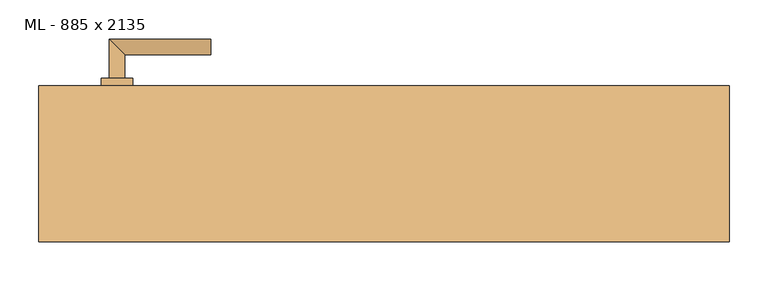
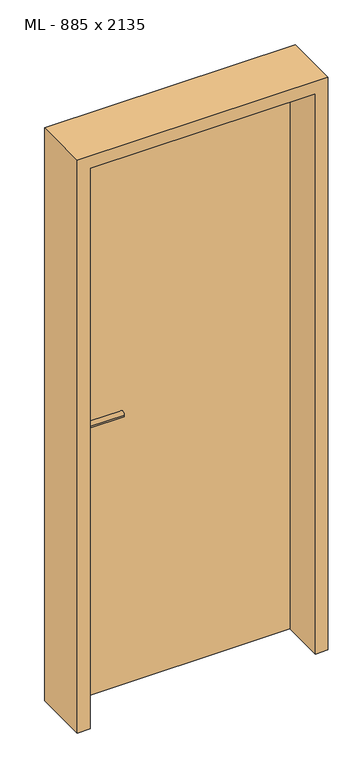
"""IFC4 building model written with IfcOpenShell, lengths in millimetres: door geometry, ML - 885 x 2135."""

from ifc_helpers import new_model, si_unit, point, frame, frame_2d, origin, origin_with_axes, place, context, project, spatial, polyline, circle_curve, ellipse_curve, trimmed, segment, composite_curve, outline, extrude, faceted_brep, source, transform, mapped, element, save
from ifc_brep_helpers import plane_surface, cylinder_surface, advanced_brep


def ml_885_x_2135_569d11c4(model_context):
    return source(origin(), model_context, "Body", "SolidModel", [
        extrude(outline(polyline([(408.5, 100.0), (408.5, 55.0), (-408.5, 55.0), (-408.5, 100.0), (408.5, 100.0)])), origin_with_axes(), (0.0, 0.0, 1.0), 2101.0),
        advanced_brep(
        [(-332.5, 110.0, 1050.0), (-352.5, 110.0, 1050.0), (-332.5, 140.0, 1050.0), (-352.5, 160.0, 1050.0), (-222.5, 140.0, 1050.0), (-222.5, 160.0, 1050.0)],
        [
            (0, 1, circle_curve(frame((-342.5, 110.0, 1050.0), z_axis=(0.0, -1.0, 0.0), x_axis=(-1.0, 0.0, 0.0)), 10.0)),
            (1, 0, circle_curve(frame((-342.5, 110.0, 1050.0), z_axis=(0.0, -1.0, 0.0), x_axis=(-1.0, 0.0, 0.0)), 10.0)),
            (0, 2),
            (2, 3, ellipse_curve(frame((-342.5, 150.0, 1050.0), z_axis=(-0.7071067811865531, -0.7071067811865419, 0.0), x_axis=(0.707106781186542, -0.707106781186553, 0.0)), 14.1421356, 10.0)),
            (3, 1),
            (3, 2, ellipse_curve(frame((-342.5, 150.0, 1050.0), z_axis=(-0.7071067811865531, -0.7071067811865419, 0.0), x_axis=(0.707106781186542, -0.707106781186553, 0.0)), 14.1421356, 10.0)),
            (4, 5, circle_curve(frame((-222.5, 150.0, 1050.0), z_axis=(1.0, 0.0, 0.0), x_axis=(0.0, 1.0, 0.0)), 10.0)),
            (5, 4, circle_curve(frame((-222.5, 150.0, 1050.0), z_axis=(1.0, 0.0, 0.0), x_axis=(0.0, 1.0, 0.0)), 10.0)),
            (2, 4),
            (5, 3),
        ],
        [
            plane_surface(frame((-342.5, 110.0, 1050.0), z_axis=(0.0, -1.0, 0.0), x_axis=(0.0, 0.0, 1.0))),
            cylinder_surface(frame((-342.5, 110.0, 1050.0), z_axis=(0.0, -1.0, 0.0), x_axis=(-1.0, 0.0, 0.0)), 10.0),
            plane_surface(frame((-222.5, 150.0, 1050.0), z_axis=(1.0, 0.0, 0.0), x_axis=(0.0, 0.0, 1.0))),
            cylinder_surface(frame((-342.5, 150.0, 1050.0), z_axis=(-1.0, 0.0, 0.0), x_axis=(0.0, 1.0, 0.0)), 10.0),
        ],
        [
            (0, [[1, 2]]),
            (1, [[-1, 3, 4, 5]]),
            (1, [[-2, -5, 6, -3]]),
            (2, [[7, 8]]),
            (3, [[-4, 9, -8, 10]]),
            (3, [[-6, -10, -7, -9]]),
        ],
    ),
        extrude(outline(composite_curve([segment(trimmed(circle_curve(frame_2d((990.0, -342.5)), 20.0), [point((990.0, -362.5))], [point((990.0, -322.5))], False, "CARTESIAN"), True, "CONTINUOUS"), segment(trimmed(circle_curve(frame_2d((990.0, -342.5)), 20.0), [point((990.0, -322.5))], [point((990.0, -362.5))], False, "CARTESIAN"), True, "CONTINUOUS")], self_intersect=False), holes=[composite_curve([segment(polyline([(976.4601385, -344.897268), (988.4749012, -344.897268)]), True, "CONTINUOUS"), segment(trimmed(circle_curve(frame_2d((995.0361633, -342.5)), 6.9854888), [point((988.4749012, -344.897268))], [point((988.4749012, -340.102732))], True, "CARTESIAN"), True, "CONTINUOUS"), segment(polyline([(988.4749012, -340.102732), (976.4601385, -340.102732)]), True, "CONTINUOUS"), segment(trimmed(circle_curve(frame_2d((976.4601385, -342.5)), 2.397268), [point((976.4601385, -340.102732))], [point((976.4601385, -344.897268))], True, "CARTESIAN"), True, "CONTINUOUS")], self_intersect=False)]), frame((0.0, 100.0, 0.0), z_axis=(0.0, 1.0, 0.0), x_axis=(0.0, 0.0, 1.0)), (0.0, 0.0, 1.0), 10.0),
        advanced_brep(
        [(-332.5, 110.0, 1050.0), (-352.5, 110.0, 1050.0), (-332.5, 140.0, 1050.0), (-352.5, 160.0, 1050.0), (-222.5, 140.0, 1050.0), (-222.5, 160.0, 1050.0)],
        [
            (0, 1, circle_curve(frame((-342.5, 110.0, 1050.0), z_axis=(0.0, -1.0, 0.0), x_axis=(-1.0, 0.0, 0.0)), 10.0)),
            (1, 0, circle_curve(frame((-342.5, 110.0, 1050.0), z_axis=(0.0, -1.0, 0.0), x_axis=(-1.0, 0.0, 0.0)), 10.0)),
            (0, 2),
            (2, 3, ellipse_curve(frame((-342.5, 150.0, 1050.0), z_axis=(-0.7071067811865537, -0.7071067811865414, 0.0), x_axis=(0.7071067811865414, -0.7071067811865536, 0.0)), 14.1421356, 10.0)),
            (3, 1),
            (3, 2, ellipse_curve(frame((-342.5, 150.0, 1050.0), z_axis=(-0.7071067811865537, -0.7071067811865414, 0.0), x_axis=(0.7071067811865414, -0.7071067811865536, 0.0)), 14.1421356, 10.0)),
            (4, 5, circle_curve(frame((-222.5, 150.0, 1050.0), z_axis=(1.0, 0.0, 0.0), x_axis=(0.0, 1.0, 0.0)), 10.0)),
            (5, 4, circle_curve(frame((-222.5, 150.0, 1050.0), z_axis=(1.0, 0.0, 0.0), x_axis=(0.0, 1.0, 0.0)), 10.0)),
            (2, 4),
            (5, 3),
        ],
        [
            plane_surface(frame((-342.5, 110.0, 1050.0), z_axis=(0.0, -1.0, 0.0), x_axis=(0.0, 0.0, 1.0))),
            cylinder_surface(frame((-342.5, 110.0, 1050.0), z_axis=(0.0, -1.0, 0.0), x_axis=(-1.0, 0.0, 0.0)), 10.0),
            plane_surface(frame((-222.5, 150.0, 1050.0), z_axis=(1.0, 0.0, 0.0), x_axis=(0.0, 0.0, 1.0))),
            cylinder_surface(frame((-342.5, 150.0, 1050.0), z_axis=(-1.0, 0.0, 0.0), x_axis=(0.0, 1.0, 0.0)), 10.0),
        ],
        [
            (0, [[1, 2]]),
            (1, [[-1, 3, 4, 5]]),
            (1, [[-2, -5, 6, -3]]),
            (2, [[7, 8]]),
            (3, [[-4, 9, -8, 10]]),
            (3, [[-6, -10, -7, -9]]),
        ],
    ),
        extrude(outline(composite_curve([segment(trimmed(circle_curve(frame_2d((1050.0, -342.5)), 20.0), [point((1050.0, -362.5))], [point((1050.0, -322.5))], False, "CARTESIAN"), True, "CONTINUOUS"), segment(trimmed(circle_curve(frame_2d((1050.0, -342.5)), 20.0), [point((1050.0, -322.5))], [point((1050.0, -362.5))], False, "CARTESIAN"), True, "CONTINUOUS")], self_intersect=False)), frame((0.0, 100.0, 0.0), z_axis=(0.0, 1.0, 0.0), x_axis=(0.0, 0.0, 1.0)), (0.0, 0.0, 1.0), 10.0),
        advanced_brep(
        [(-332.5, 45.0, 1050.0), (-352.5, 45.0, 1050.0), (-352.5, -5.0, 1050.0), (-332.5, 15.0, 1050.0), (-222.5, 15.0, 1050.0), (-222.5, -5.0, 1050.0)],
        [
            (0, 1, circle_curve(frame((-342.5, 45.0, 1050.0), z_axis=(0.0, 1.0, 0.0), x_axis=(-1.0, 0.0, 0.0)), 10.0)),
            (1, 0, circle_curve(frame((-342.5, 45.0, 1050.0), z_axis=(0.0, 1.0, 0.0), x_axis=(-1.0, 0.0, 0.0)), 10.0)),
            (1, 2),
            (2, 3, ellipse_curve(frame((-342.5, 5.0, 1050.0), z_axis=(-0.7071067811865486, 0.7071067811865464, 0.0), x_axis=(0.7071067811865464, 0.7071067811865488, 0.0)), 14.1421356, 10.0)),
            (3, 0),
            (3, 2, ellipse_curve(frame((-342.5, 5.0, 1050.0), z_axis=(-0.7071067811865486, 0.7071067811865464, 0.0), x_axis=(0.7071067811865464, 0.7071067811865488, 0.0)), 14.1421356, 10.0)),
            (4, 5, circle_curve(frame((-222.5, 5.0, 1050.0), z_axis=(1.0, 0.0, 0.0), x_axis=(0.0, -1.0, 0.0)), 10.0)),
            (5, 4, circle_curve(frame((-222.5, 5.0, 1050.0), z_axis=(1.0, 0.0, 0.0), x_axis=(0.0, -1.0, 0.0)), 10.0)),
            (2, 5),
            (4, 3),
        ],
        [
            plane_surface(frame((-342.5, 45.0, 1050.0), z_axis=(0.0, 1.0, 0.0), x_axis=(0.0, 0.0, 1.0))),
            cylinder_surface(frame((-342.5, 45.0, 1050.0), z_axis=(0.0, 1.0, 0.0), x_axis=(-1.0, 0.0, 0.0)), 10.0),
            plane_surface(frame((-222.5, 5.0, 1050.0), z_axis=(1.0, 0.0, 0.0), x_axis=(0.0, 0.0, 1.0))),
            cylinder_surface(frame((-342.5, 5.0, 1050.0), z_axis=(-1.0, 0.0, 0.0), x_axis=(0.0, -1.0, 0.0)), 10.0),
        ],
        [
            (0, [[1, 2]]),
            (1, [[3, 4, 5, -2]]),
            (1, [[-5, 6, -3, -1]]),
            (2, [[7, 8]]),
            (3, [[9, -7, 10, -4]]),
            (3, [[-10, -8, -9, -6]]),
        ],
    ),
        extrude(outline(composite_curve([segment(trimmed(circle_curve(frame_2d((990.0, -342.5)), 20.0), [point((990.0, -362.5))], [point((990.0, -322.5))], False, "CARTESIAN"), True, "CONTINUOUS"), segment(trimmed(circle_curve(frame_2d((990.0, -342.5)), 20.0), [point((990.0, -322.5))], [point((990.0, -362.5))], False, "CARTESIAN"), True, "CONTINUOUS")], self_intersect=False), holes=[composite_curve([segment(polyline([(976.4601385, -344.897268), (988.4749012, -344.897268)]), True, "CONTINUOUS"), segment(trimmed(circle_curve(frame_2d((995.0361633, -342.5)), 6.9854888), [point((988.4749012, -344.897268))], [point((988.4749012, -340.102732))], True, "CARTESIAN"), True, "CONTINUOUS"), segment(polyline([(988.4749012, -340.102732), (976.4601385, -340.102732)]), True, "CONTINUOUS"), segment(trimmed(circle_curve(frame_2d((976.4601385, -342.5)), 2.397268), [point((976.4601385, -340.102732))], [point((976.4601385, -344.897268))], True, "CARTESIAN"), True, "CONTINUOUS")], self_intersect=False)]), frame((0.0, 45.0, 0.0), z_axis=(0.0, 1.0, 0.0), x_axis=(0.0, 0.0, 1.0)), (0.0, 0.0, 1.0), 10.0),
        advanced_brep(
        [(-332.5, 45.0, 1050.0), (-352.5, 45.0, 1050.0), (-352.5, -5.0, 1050.0), (-332.5, 15.0, 1050.0), (-222.5, 15.0, 1050.0), (-222.5, -5.0, 1050.0)],
        [
            (0, 1, circle_curve(frame((-342.5, 45.0, 1050.0), z_axis=(0.0, 1.0, 0.0), x_axis=(-1.0, 0.0, 0.0)), 10.0)),
            (1, 0, circle_curve(frame((-342.5, 45.0, 1050.0), z_axis=(0.0, 1.0, 0.0), x_axis=(-1.0, 0.0, 0.0)), 10.0)),
            (1, 2),
            (2, 3, ellipse_curve(frame((-342.5, 5.0, 1050.0), z_axis=(-0.7071067811865491, 0.7071067811865459, 0.0), x_axis=(0.7071067811865458, 0.7071067811865492, 0.0)), 14.1421356, 10.0)),
            (3, 0),
            (3, 2, ellipse_curve(frame((-342.5, 5.0, 1050.0), z_axis=(-0.7071067811865491, 0.7071067811865459, 0.0), x_axis=(0.7071067811865458, 0.7071067811865492, 0.0)), 14.1421356, 10.0)),
            (4, 5, circle_curve(frame((-222.5, 5.0, 1050.0), z_axis=(1.0, 0.0, 0.0), x_axis=(0.0, -1.0, 0.0)), 10.0)),
            (5, 4, circle_curve(frame((-222.5, 5.0, 1050.0), z_axis=(1.0, 0.0, 0.0), x_axis=(0.0, -1.0, 0.0)), 10.0)),
            (2, 5),
            (4, 3),
        ],
        [
            plane_surface(frame((-342.5, 45.0, 1050.0), z_axis=(0.0, 1.0, 0.0), x_axis=(0.0, 0.0, 1.0))),
            cylinder_surface(frame((-342.5, 45.0, 1050.0), z_axis=(0.0, 1.0, 0.0), x_axis=(-1.0, 0.0, 0.0)), 10.0),
            plane_surface(frame((-222.5, 5.0, 1050.0), z_axis=(1.0, 0.0, 0.0), x_axis=(0.0, 0.0, 1.0))),
            cylinder_surface(frame((-342.5, 5.0, 1050.0), z_axis=(-1.0, 0.0, 0.0), x_axis=(0.0, -1.0, 0.0)), 10.0),
        ],
        [
            (0, [[1, 2]]),
            (1, [[3, 4, 5, -2]]),
            (1, [[-5, 6, -3, -1]]),
            (2, [[7, 8]]),
            (3, [[9, -7, 10, -4]]),
            (3, [[-10, -8, -9, -6]]),
        ],
    ),
        extrude(outline(composite_curve([segment(trimmed(circle_curve(frame_2d((1050.0, -342.5)), 20.0), [point((1050.0, -362.5))], [point((1050.0, -322.5))], False, "CARTESIAN"), True, "CONTINUOUS"), segment(trimmed(circle_curve(frame_2d((1050.0, -342.5)), 20.0), [point((1050.0, -322.5))], [point((1050.0, -362.5))], False, "CARTESIAN"), True, "CONTINUOUS")], self_intersect=False)), frame((0.0, 45.0, 0.0), z_axis=(0.0, 1.0, 0.0), x_axis=(0.0, 0.0, 1.0)), (0.0, 0.0, 1.0), 10.0),
        faceted_brep([(-412.5, 100.0, 0.0), (-412.5, 55.0, 0.0), (-397.5, 55.0, 0.0), (-397.5, -100.0, 0.0), (-442.5, -100.0, 0.0), (-442.5, 100.0, 0.0), (-412.5, 100.0, 2105.0), (-412.5, 55.0, 2105.0), (412.5, 55.0, 2105.0), (412.5, 55.0, 0.0), (397.5, 55.0, 0.0), (397.5, 55.0, 2090.0), (-397.5, 55.0, 2090.0), (-397.5, -100.0, 2090.0), (397.5, -100.0, 2090.0), (397.5, -100.0, 0.0), (442.5, -100.0, 0.0), (442.5, -100.0, 2135.0), (-442.5, -100.0, 2135.0), (-442.5, 100.0, 2135.0), (442.5, 100.0, 2135.0), (442.5, 100.0, 0.0), (412.5, 100.0, 0.0), (412.5, 100.0, 2105.0)], [[[0, 1, 2, 3, 4, 5]], [[1, 0, 6, 7]], [[2, 1, 7, 8, 9, 10, 11, 12]], [[3, 2, 12, 13]], [[4, 3, 13, 14, 15, 16, 17, 18]], [[5, 4, 18, 19]], [[0, 5, 19, 20, 21, 22, 23, 6]], [[20, 17, 16, 21]], [[22, 21, 16, 15, 10, 9]], [[8, 23, 22, 9]], [[14, 11, 10, 15]], [[19, 18, 17, 20]], [[13, 12, 11, 14]], [[7, 6, 23, 8]]]),
    ])


if __name__ == "__main__":
    model = new_model("IFC4")
    model_context = context("Model", 3, world=origin())
    ifc_project = project(units=[si_unit("LENGTHUNIT", "METRE", prefix="MILLI")], contexts=[model_context])
    site = spatial("IfcSite", under=ifc_project)
    building = spatial("IfcBuilding", under=site)
    placement = place(None, origin())
    ml_885_x_2135_shape = ml_885_x_2135_569d11c4(model_context)
    element("IfcDoor", 1, ObjectType="ML - 885 x 2135", at=placement, inside=building, context=model_context, shape_type="MappedRepresentation", body=[
        mapped(ml_885_x_2135_shape, transform((0.0, 0.0, 0.0), x_axis=(1.0, 0.0, 0.0), y_axis=(0.0, 1.0, 0.0), z_axis=(0.0, 0.0, 1.0))),
    ])
    save(model, "model.ifc")
